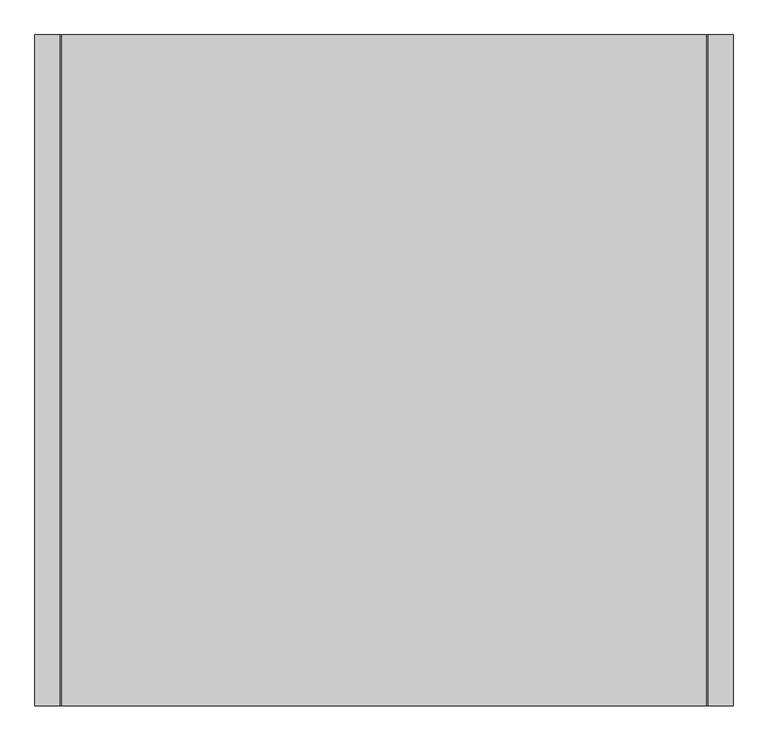
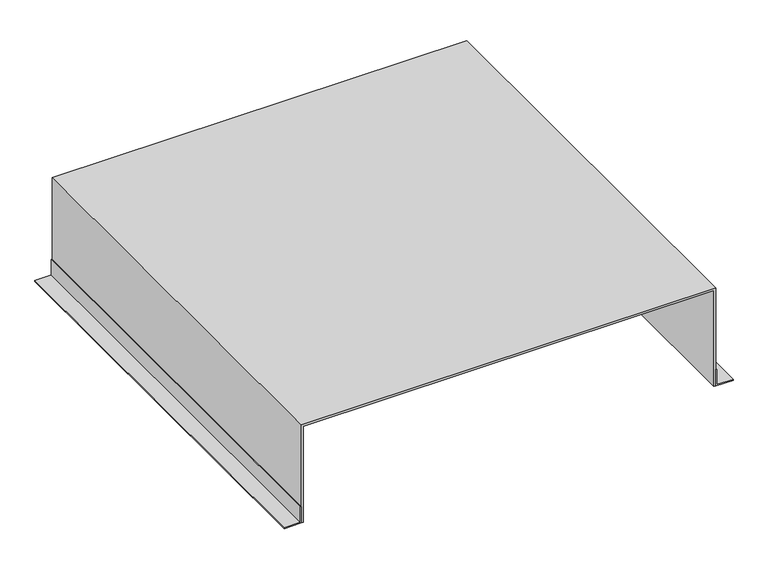
"""IFC4 building model written with IfcOpenShell, lengths in millimetres: proxy geometry."""

from ifc_helpers import new_model, si_unit, frame, origin, place, context, project, spatial, polyline, outline, extrude, source, transform, mapped, element, save


def specialty_equipment_312303c3(model_context):
    return source(origin(), model_context, "Body", "SweptSolid", [
        extrude(outline(polyline([(3.0, -603.0), (3.0, -650.0), (0.0, -650.0), (0.0, -600.0), (50.0, -600.0), (50.0, -603.0), (3.0, -603.0)])), frame((0.0, -1540.0, 0.0), z_axis=(0.0, 1.0, 0.0), x_axis=(0.0, 0.0, 1.0)), (0.0, 0.0, 1.0), 1250.0),
        extrude(outline(polyline([(3.0, 603.0), (50.0, 603.0), (50.0, 600.0), (0.0, 600.0), (0.0, 650.0), (3.0, 650.0), (3.0, 603.0)])), frame((0.0, -1540.0, 0.0), z_axis=(0.0, 1.0, 0.0), x_axis=(0.0, 0.0, 1.0)), (0.0, 0.0, 1.0), 1250.0),
        extrude(outline(polyline([(300.0, -600.0), (0.0, -600.0), (0.0, -594.0), (294.0, -594.0), (294.0, 594.0), (0.0, 594.0), (0.0, 600.0), (300.0, 600.0), (300.0, -600.0)])), frame((0.0, -1540.0, 0.0), z_axis=(0.0, 1.0, 0.0), x_axis=(0.0, 0.0, 1.0)), (0.0, 0.0, 1.0), 1250.0),
    ])


if __name__ == "__main__":
    model = new_model("IFC4")
    model_context = context("Model", 3, world=origin())
    ifc_project = project(units=[si_unit("LENGTHUNIT", "METRE", prefix="MILLI")], contexts=[model_context])
    site = spatial("IfcSite", under=ifc_project)
    building = spatial("IfcBuilding", under=site)
    placement = place(None, origin())
    specialty_equipment_shape = specialty_equipment_312303c3(model_context)
    element("IfcBuildingElementProxy", 1, Name="Specialty Equipment", at=placement, inside=building, context=model_context, shape_type="MappedRepresentation", body=[
        mapped(specialty_equipment_shape, transform((0.0, 0.0, 0.0), x_axis=(1.0, 0.0, 0.0), y_axis=(0.0, 1.0, 0.0), z_axis=(0.0, 0.0, 1.0))),
    ])
    save(model, "model.ifc")
